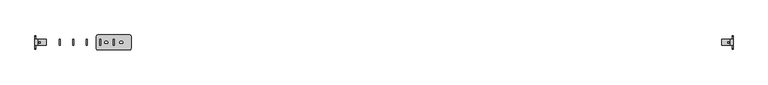
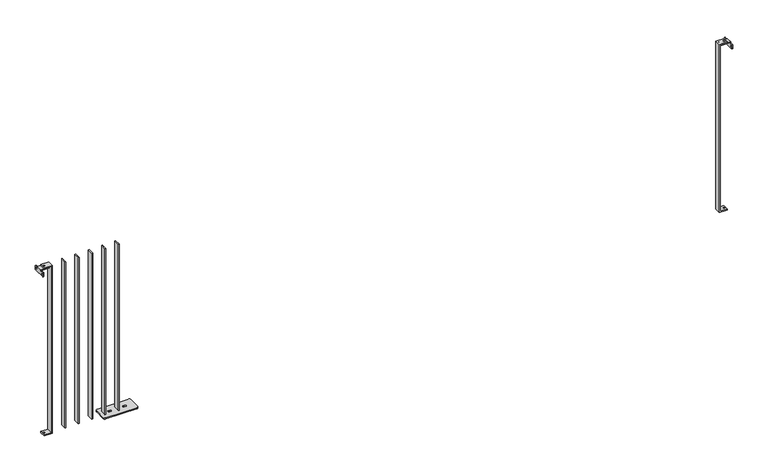
"""IFC4 building model written with IfcOpenShell, lengths in millimetres: railing geometry."""

from ifc_helpers import new_model, si_unit, frame, origin, place, context, project, spatial, polyline, circle_curve, outline, extrude, source, transform, mapped, element, save
from ifc_brep_helpers import plane_surface, cylinder_surface, revolved_surface, advanced_brep


def railing_5987e916(model_context):
    return source(origin(), model_context, "Body", "SolidModel", [
        advanced_brep(
        [(8839.4391725, -978.0676747, 1192.0), (8839.4391725, -978.0676747, 8.0), (8845.4391725, -978.0676747, 8.0), (8845.4391725, -978.0676747, 1192.0), (8839.4391725, -938.0676747, 1192.0), (8845.4391725, -938.0676747, 1192.0), (8845.4391725, -938.0676747, 8.0), (8839.4391725, -938.0676747, 8.0), (8737.4391725, -908.0676747, 8.0), (8727.4391725, -918.0676747, 8.0), (8727.4391725, -998.0676747, 8.0), (8737.4391725, -1008.0676747, 8.0), (8947.4391725, -1008.0676747, 8.0), (8957.4391725, -998.0676747, 8.0), (8957.4391725, -918.0676747, 8.0), (8947.4391725, -908.0676747, 8.0), (8788.4391725, -951.0676747, 8.0), (8796.4391725, -951.0676747, 8.0), (8796.4391725, -965.0676747, 8.0), (8788.4391725, -965.0676747, 8.0), (8896.4391725, -951.0676747, 8.0), (8896.4391725, -965.0676747, 8.0), (8888.4391725, -965.0676747, 8.0), (8888.4391725, -951.0676747, 8.0), (8737.4391725, -908.0676747, 0.0), (8947.4391725, -908.0676747, 0.0), (8957.4391725, -918.0676747, 0.0), (8957.4391725, -998.0676747, 0.0), (8947.4391725, -1008.0676747, 0.0), (8737.4391725, -1008.0676747, 0.0), (8727.4391725, -998.0676747, 0.0), (8727.4391725, -918.0676747, 0.0), (8788.4391725, -951.0676747, 0.0), (8788.4391725, -965.0676747, 0.0), (8796.4391725, -965.0676747, 0.0), (8796.4391725, -951.0676747, 0.0), (8896.4391725, -951.0676747, 0.0), (8888.4391725, -951.0676747, 0.0), (8888.4391725, -965.0676747, 0.0), (8896.4391725, -965.0676747, 0.0)],
        [
            (0, 1),
            (1, 2),
            (2, 3),
            (3, 0),
            (4, 5),
            (5, 6),
            (6, 7),
            (7, 4),
            (3, 5),
            (4, 0),
            (7, 1),
            (2, 6),
            (8, 9, circle_curve(frame((8737.4391725, -918.0676747, 8.0), z_axis=(0.0, 0.0, 1.0), x_axis=(0.0, 1.0, 0.0)), 10.0)),
            (9, 10),
            (10, 11, circle_curve(frame((8737.4391725, -998.0676747, 8.0), z_axis=(0.0, 0.0, 1.0), x_axis=(0.0, 1.0, 0.0)), 10.0)),
            (11, 12),
            (12, 13, circle_curve(frame((8947.4391725, -998.0676747, 8.0), z_axis=(0.0, 0.0, 1.0), x_axis=(0.0, 1.0, 0.0)), 10.0)),
            (13, 14),
            (14, 15, circle_curve(frame((8947.4391725, -918.0676747, 8.0), z_axis=(0.0, 0.0, 1.0), x_axis=(0.0, 1.0, 0.0)), 10.0)),
            (15, 8),
            (16, 17),
            (17, 18, circle_curve(frame((8796.4391725, -958.0676747, 8.0), z_axis=(0.0, 0.0, -1.0), x_axis=(0.0, 1.0, 0.0)), 7.0)),
            (18, 19),
            (19, 16, circle_curve(frame((8788.4391725, -958.0676747, 8.0), z_axis=(0.0, 0.0, -1.0), x_axis=(0.0, 1.0, 0.0)), 7.0)),
            (20, 21, circle_curve(frame((8896.4391725, -958.0676747, 8.0), z_axis=(0.0, 0.0, -1.0), x_axis=(0.0, 1.0, 0.0)), 7.0)),
            (21, 22),
            (22, 23, circle_curve(frame((8888.4391725, -958.0676747, 8.0), z_axis=(0.0, 0.0, -1.0), x_axis=(0.0, 1.0, 0.0)), 7.0)),
            (23, 20),
            (24, 25),
            (25, 26, circle_curve(frame((8947.4391725, -918.0676747, 0.0), z_axis=(0.0, 0.0, -1.0), x_axis=(0.0, 1.0, 0.0)), 10.0)),
            (26, 27),
            (27, 28, circle_curve(frame((8947.4391725, -998.0676747, 0.0), z_axis=(0.0, 0.0, -1.0), x_axis=(0.0, 1.0, 0.0)), 10.0)),
            (28, 29),
            (29, 30, circle_curve(frame((8737.4391725, -998.0676747, 0.0), z_axis=(0.0, 0.0, -1.0), x_axis=(0.0, 1.0, 0.0)), 10.0)),
            (30, 31),
            (31, 24, circle_curve(frame((8737.4391725, -918.0676747, 0.0), z_axis=(0.0, 0.0, -1.0), x_axis=(0.0, 1.0, 0.0)), 10.0)),
            (32, 33, circle_curve(frame((8788.4391725, -958.0676747, 0.0), z_axis=(0.0, 0.0, 1.0), x_axis=(0.0, 1.0, 0.0)), 7.0)),
            (33, 34),
            (34, 35, circle_curve(frame((8796.4391725, -958.0676747, 0.0), z_axis=(0.0, 0.0, 1.0), x_axis=(0.0, 1.0, 0.0)), 7.0)),
            (35, 32),
            (36, 37),
            (37, 38, circle_curve(frame((8888.4391725, -958.0676747, 0.0), z_axis=(0.0, 0.0, 1.0), x_axis=(0.0, 1.0, 0.0)), 7.0)),
            (38, 39),
            (39, 36, circle_curve(frame((8896.4391725, -958.0676747, 0.0), z_axis=(0.0, 0.0, 1.0), x_axis=(0.0, 1.0, 0.0)), 7.0)),
            (8, 24),
            (31, 9),
            (30, 10),
            (29, 11),
            (28, 12),
            (27, 13),
            (26, 14),
            (25, 15),
            (16, 32),
            (35, 17),
            (34, 18),
            (33, 19),
            (20, 36),
            (39, 21),
            (38, 22),
            (37, 23),
        ],
        [
            plane_surface(frame((8839.4391725, -978.0676747, 1192.0), z_axis=(0.0, -1.0, 0.0), x_axis=(-1.0, 0.0, 0.0))),
            plane_surface(frame((8839.4391725, -938.0676747, 1192.0), z_axis=(0.0, 1.0, 0.0), x_axis=(1.0, 0.0, 0.0))),
            plane_surface(frame((8839.4391725, -938.0676747, 1192.0), z_axis=(0.0, 0.0, 1.0), x_axis=(0.0, -1.0, 0.0))),
            plane_surface(frame((8839.4391725, -938.0676747, 8.0), z_axis=(-1.0, 0.0, 0.0), x_axis=(0.0, -1.0, 0.0))),
            plane_surface(frame((8845.4391725, -938.0676747, 1192.0), z_axis=(1.0, 0.0, 0.0), x_axis=(0.0, -1.0, 0.0))),
            plane_surface(frame((8737.4391725, -908.0676747, 8.0), z_axis=(0.0, 0.0, 1.0), x_axis=(-1.0, 0.0, 0.0))),
            plane_surface(frame((8737.4391725, -908.0676747, 0.0), z_axis=(0.0, 0.0, -1.0), x_axis=(1.0, 0.0, 0.0))),
            cylinder_surface(frame((8737.4391725, -918.0676747, 0.0), z_axis=(0.0, 0.0, 1.0), x_axis=(0.0, 1.0, 0.0)), 10.0),
            plane_surface(frame((8727.4391725, -918.0676747, 8.0), z_axis=(-1.0, 0.0, 0.0), x_axis=(0.0, 0.0, -1.0))),
            cylinder_surface(frame((8737.4391725, -998.0676747, 0.0), z_axis=(0.0, 0.0, 1.0), x_axis=(0.0, 1.0, 0.0)), 10.0),
            plane_surface(frame((8737.4391725, -1008.0676747, 8.0), z_axis=(0.0, -1.0, 0.0), x_axis=(0.0, 0.0, -1.0))),
            cylinder_surface(frame((8947.4391725, -998.0676747, 0.0), z_axis=(0.0, 0.0, 1.0), x_axis=(0.0, 1.0, 0.0)), 10.0),
            plane_surface(frame((8957.4391725, -998.0676747, 8.0), z_axis=(1.0, 0.0, 0.0), x_axis=(0.0, 0.0, -1.0))),
            cylinder_surface(frame((8947.4391725, -918.0676747, 0.0), z_axis=(0.0, 0.0, 1.0), x_axis=(0.0, 1.0, 0.0)), 10.0),
            plane_surface(frame((8947.4391725, -908.0676747, 8.0), z_axis=(0.0, 1.0, 0.0), x_axis=(0.0, 0.0, -1.0))),
            plane_surface(frame((8788.4391725, -951.0676747, 8.0), z_axis=(0.0, -1.0, 0.0), x_axis=(0.0, 0.0, -1.0))),
            revolved_surface(polyline([(8796.4391725, -951.0676747, 0.0), (8796.4391725, -951.0676747, 8.0)]), (8796.4391725, -958.0676747, 8.0), (0.0, 0.0, -1.0)),
            plane_surface(frame((8796.4391725, -965.0676747, 8.0), z_axis=(0.0, 1.0, 0.0), x_axis=(0.0, 0.0, -1.0))),
            revolved_surface(polyline([(8788.4391725, -951.0676747, 0.0), (8788.4391725, -951.0676747, 8.0)]), (8788.4391725, -958.0676747, 8.0), (0.0, 0.0, -1.0)),
            revolved_surface(polyline([(8896.4391725, -951.0676747, 0.0), (8896.4391725, -951.0676747, 8.0)]), (8896.4391725, -958.0676747, 8.0), (0.0, 0.0, -1.0)),
            plane_surface(frame((8896.4391725, -965.0676747, 8.0), z_axis=(0.0, 1.0, 0.0), x_axis=(0.0, 0.0, -1.0))),
            revolved_surface(polyline([(8888.4391725, -951.0676747, 0.0), (8888.4391725, -951.0676747, 8.0)]), (8888.4391725, -958.0676747, 8.0), (0.0, 0.0, -1.0)),
            plane_surface(frame((8888.4391725, -951.0676747, 8.0), z_axis=(0.0, -1.0, 0.0), x_axis=(0.0, 0.0, -1.0))),
        ],
        [
            (0, [[1, 2, 3, 4]]),
            (1, [[5, 6, 7, 8]]),
            (2, [[-4, 9, -5, 10]]),
            (3, [[-1, -10, -8, 11]]),
            (4, [[-3, 12, -6, -9]]),
            (5, [[13, 14, 15, 16, 17, 18, 19, 20], [-2, -11, -7, -12], [21, 22, 23, 24], [25, 26, 27, 28]]),
            (6, [[29, 30, 31, 32, 33, 34, 35, 36], [37, 38, 39, 40], [41, 42, 43, 44]]),
            (7, [[-13, 45, -36, 46]]),
            (8, [[-14, -46, -35, 47]]),
            (9, [[-15, -47, -34, 48]]),
            (10, [[-16, -48, -33, 49]]),
            (11, [[-17, -49, -32, 50]]),
            (12, [[-18, -50, -31, 51]]),
            (13, [[-19, -51, -30, 52]]),
            (14, [[-20, -52, -29, -45]]),
            (15, [[-21, 53, -40, 54]]),
            (16, [[-22, -54, -39, 55]]),
            (17, [[-23, -55, -38, 56]]),
            (18, [[-24, -56, -37, -53]]),
            (19, [[-25, 57, -44, 58]]),
            (20, [[-26, -58, -43, 59]]),
            (21, [[-27, -59, -42, 60]]),
            (22, [[-28, -60, -41, -57]]),
        ],
    ),
        extrude(outline(polyline([(8749.4391725, -938.0676747), (8755.4391725, -938.0676747), (8755.4391725, -978.0676747), (8749.4391725, -978.0676747), (8749.4391725, -938.0676747)])), frame((0.0, 0.0, 8.0), z_axis=(0.0, 0.0, 1.0), x_axis=(1.0, 0.0, 0.0)), (0.0, 0.0, 1.0), 1184.0),
        extrude(outline(polyline([(8659.4391725, -938.0676747), (8665.4391725, -938.0676747), (8665.4391725, -978.0676747), (8659.4391725, -978.0676747), (8659.4391725, -938.0676747)])), frame((0.0, 0.0, 8.0), z_axis=(0.0, 0.0, 1.0), x_axis=(1.0, 0.0, 0.0)), (0.0, 0.0, 1.0), 1184.0),
        extrude(outline(polyline([(8569.4391725, -938.0676747), (8575.4391725, -938.0676747), (8575.4391725, -978.0676747), (8569.4391725, -978.0676747), (8569.4391725, -938.0676747)])), frame((0.0, 0.0, 8.0), z_axis=(0.0, 0.0, 1.0), x_axis=(1.0, 0.0, 0.0)), (0.0, 0.0, 1.0), 1184.0),
        extrude(outline(polyline([(8479.4391725, -938.0676747), (8485.4391725, -938.0676747), (8485.4391725, -978.0676747), (8479.4391725, -978.0676747), (8479.4391725, -938.0676747)])), frame((0.0, 0.0, 8.0), z_axis=(0.0, 0.0, 1.0), x_axis=(1.0, 0.0, 0.0)), (0.0, 0.0, 1.0), 1184.0),
        advanced_brep(
        [(12967.4391725, -978.0676747, 1192.0), (12967.4391725, -938.0676747, 1192.0), (12912.4391725, -938.0676747, 1192.0), (12907.4391725, -943.0676747, 1192.0), (12907.4391725, -973.0676747, 1192.0), (12912.4391725, -978.0676747, 1192.0), (12939.4391725, -962.5676747, 1192.0), (12919.4391725, -962.5676747, 1192.0), (12919.4391725, -953.5676747, 1192.0), (12939.4391725, -953.5676747, 1192.0), (12912.4391725, -978.0676747, 1187.0), (12907.4391725, -973.0676747, 1187.0), (12907.4391725, -943.0676747, 1187.0), (12912.4391725, -938.0676747, 1187.0), (12962.4391725, -938.0676747, 1187.0), (12962.4391725, -978.0676747, 1187.0), (12939.4391725, -962.5676747, 1187.0), (12939.4391725, -953.5676747, 1187.0), (12919.4391725, -953.5676747, 1187.0), (12919.4391725, -962.5676747, 1187.0), (12967.4391725, -978.0676747, 1187.0), (12967.4391725, -938.0676747, 1187.0), (12967.4391725, -998.0676747, 1187.0), (12967.4391725, -1003.0676747, 1182.0), (12967.4391725, -1003.0676747, 1162.0), (12967.4391725, -998.0676747, 1157.0), (12967.4391725, -918.0676747, 1157.0), (12967.4391725, -913.0676747, 1162.0), (12967.4391725, -913.0676747, 1182.0), (12967.4391725, -918.0676747, 1187.0), (12967.4391725, -927.0676747, 1172.0), (12967.4391725, -918.0676747, 1172.0), (12967.4391725, -998.0676747, 1172.0), (12967.4391725, -989.0676747, 1172.0), (12962.4391725, -1003.0676747, 1162.0), (12962.4391725, -1003.0676747, 1182.0), (12962.4391725, -998.0676747, 1187.0), (12962.4391725, -918.0676747, 1187.0), (12962.4391725, -913.0676747, 1182.0), (12962.4391725, -913.0676747, 1162.0), (12962.4391725, -918.0676747, 1157.0), (12962.4391725, -998.0676747, 1157.0), (12962.4391725, -927.0676747, 1172.0), (12962.4391725, -918.0676747, 1172.0), (12962.4391725, -998.0676747, 1172.0), (12962.4391725, -989.0676747, 1172.0)],
        [
            (0, 1),
            (1, 2),
            (2, 3, circle_curve(frame((12912.4391725, -943.0676747, 1192.0), z_axis=(0.0, 0.0, 1.0), x_axis=(0.0, 1.0, 0.0)), 5.0)),
            (3, 4),
            (4, 5, circle_curve(frame((12912.4391725, -973.0676747, 1192.0), z_axis=(0.0, 0.0, 1.0), x_axis=(0.0, 1.0, 0.0)), 5.0)),
            (5, 0),
            (6, 7),
            (7, 8, circle_curve(frame((12919.4391725, -958.0676747, 1192.0), z_axis=(0.0, 0.0, -1.0), x_axis=(0.0, 1.0, 0.0)), 4.5)),
            (8, 9),
            (9, 6, circle_curve(frame((12939.4391725, -958.0676747, 1192.0), z_axis=(0.0, 0.0, -1.0), x_axis=(0.0, 1.0, 0.0)), 4.5)),
            (10, 11, circle_curve(frame((12912.4391725, -973.0676747, 1187.0), z_axis=(0.0, 0.0, -1.0), x_axis=(0.0, 1.0, 0.0)), 5.0)),
            (11, 12),
            (12, 13, circle_curve(frame((12912.4391725, -943.0676747, 1187.0), z_axis=(0.0, 0.0, -1.0), x_axis=(0.0, 1.0, 0.0)), 5.0)),
            (13, 14),
            (14, 15),
            (15, 10),
            (16, 17, circle_curve(frame((12939.4391725, -958.0676747, 1187.0), z_axis=(0.0, 0.0, 1.0), x_axis=(0.0, 1.0, 0.0)), 4.5)),
            (17, 18),
            (18, 19, circle_curve(frame((12919.4391725, -958.0676747, 1187.0), z_axis=(0.0, 0.0, 1.0), x_axis=(0.0, 1.0, 0.0)), 4.5)),
            (19, 16),
            (5, 10),
            (15, 20),
            (20, 0),
            (3, 12),
            (11, 4),
            (1, 21),
            (21, 14),
            (13, 2),
            (20, 22),
            (22, 23, circle_curve(frame((12967.4391725, -998.0676747, 1182.0), z_axis=(1.0, 0.0, 0.0), x_axis=(0.0, 1.0, 0.0)), 5.0)),
            (23, 24),
            (24, 25, circle_curve(frame((12967.4391725, -998.0676747, 1162.0), z_axis=(1.0, 0.0, 0.0), x_axis=(0.0, 1.0, 0.0)), 5.0)),
            (25, 26),
            (26, 27, circle_curve(frame((12967.4391725, -918.0676747, 1162.0), z_axis=(1.0, 0.0, 0.0), x_axis=(0.0, 1.0, 0.0)), 5.0)),
            (27, 28),
            (28, 29, circle_curve(frame((12967.4391725, -918.0676747, 1182.0), z_axis=(1.0, 0.0, 0.0), x_axis=(0.0, 1.0, 0.0)), 5.0)),
            (29, 21),
            (30, 31, circle_curve(frame((12967.4391725, -922.5676747, 1172.0), z_axis=(-1.0, 0.0, 0.0), x_axis=(0.0, 1.0, 0.0)), 4.5)),
            (31, 30, circle_curve(frame((12967.4391725, -922.5676747, 1172.0), z_axis=(-1.0, 0.0, 0.0), x_axis=(0.0, 1.0, 0.0)), 4.5)),
            (32, 33, circle_curve(frame((12967.4391725, -993.5676747, 1172.0), z_axis=(-1.0, 0.0, 0.0), x_axis=(0.0, 1.0, 0.0)), 4.5)),
            (33, 32, circle_curve(frame((12967.4391725, -993.5676747, 1172.0), z_axis=(-1.0, 0.0, 0.0), x_axis=(0.0, 1.0, 0.0)), 4.5)),
            (9, 17),
            (16, 6),
            (8, 18),
            (7, 19),
            (34, 35),
            (35, 36, circle_curve(frame((12962.4391725, -998.0676747, 1182.0), z_axis=(-1.0, 0.0, 0.0), x_axis=(0.0, 1.0, 0.0)), 5.0)),
            (36, 15),
            (14, 37),
            (37, 38, circle_curve(frame((12962.4391725, -918.0676747, 1182.0), z_axis=(-1.0, 0.0, 0.0), x_axis=(0.0, 1.0, 0.0)), 5.0)),
            (38, 39),
            (39, 40, circle_curve(frame((12962.4391725, -918.0676747, 1162.0), z_axis=(-1.0, 0.0, 0.0), x_axis=(0.0, 1.0, 0.0)), 5.0)),
            (40, 41),
            (41, 34, circle_curve(frame((12962.4391725, -998.0676747, 1162.0), z_axis=(-1.0, 0.0, 0.0), x_axis=(0.0, 1.0, 0.0)), 5.0)),
            (42, 43, circle_curve(frame((12962.4391725, -922.5676747, 1172.0), z_axis=(1.0, 0.0, 0.0), x_axis=(0.0, 1.0, 0.0)), 4.5)),
            (43, 42, circle_curve(frame((12962.4391725, -922.5676747, 1172.0), z_axis=(1.0, 0.0, 0.0), x_axis=(0.0, 1.0, 0.0)), 4.5)),
            (44, 45, circle_curve(frame((12962.4391725, -993.5676747, 1172.0), z_axis=(1.0, 0.0, 0.0), x_axis=(0.0, 1.0, 0.0)), 4.5)),
            (45, 44, circle_curve(frame((12962.4391725, -993.5676747, 1172.0), z_axis=(1.0, 0.0, 0.0), x_axis=(0.0, 1.0, 0.0)), 4.5)),
            (41, 25),
            (24, 34),
            (40, 26),
            (39, 27),
            (38, 28),
            (37, 29),
            (36, 22),
            (35, 23),
            (43, 31),
            (30, 42),
            (45, 33),
            (32, 44),
        ],
        [
            plane_surface(frame((12967.4391725, -938.0676747, 1192.0), z_axis=(0.0, 0.0, 1.0), x_axis=(0.0, 1.0, 0.0))),
            plane_surface(frame((12967.4391725, -938.0676747, 1187.0), z_axis=(0.0, 0.0, -1.0), x_axis=(0.0, -1.0, 0.0))),
            plane_surface(frame((12912.4391725, -978.0676747, 1192.0), z_axis=(0.0, -1.0, 0.0), x_axis=(0.0, 0.0, -1.0))),
            plane_surface(frame((12907.4391725, -943.0676747, 1192.0), z_axis=(-1.0, 0.0, 0.0), x_axis=(0.0, 0.0, -1.0))),
            plane_surface(frame((12967.4391725, -938.0676747, 1192.0), z_axis=(0.0, 1.0, 0.0), x_axis=(0.0, 0.0, -1.0))),
            plane_surface(frame((12967.4391725, -978.0676747, 1192.0), z_axis=(1.0, 0.0, 0.0), x_axis=(0.0, 0.0, -1.0))),
            revolved_surface(polyline([(12939.4391725, -953.5676747, 1187.0), (12939.4391725, -953.5676747, 1192.0)]), (12939.4391725, -958.0676747, 8.0), (0.0, 0.0, -1.0)),
            plane_surface(frame((12919.4391725, -953.5676747, 1192.0), z_axis=(0.0, -1.0, 0.0), x_axis=(0.0, 0.0, -1.0))),
            revolved_surface(polyline([(12919.4391725, -953.5676747, 1187.0), (12919.4391725, -953.5676747, 1192.0)]), (12919.4391725, -958.0676747, 8.0), (0.0, 0.0, -1.0)),
            plane_surface(frame((12939.4391725, -962.5676747, 1192.0), z_axis=(0.0, 1.0, 0.0), x_axis=(0.0, 0.0, -1.0))),
            cylinder_surface(frame((12912.4391725, -973.0676747, 1187.0), z_axis=(0.0, 0.0, 1.0), x_axis=(0.0, 1.0, 0.0)), 5.0),
            cylinder_surface(frame((12912.4391725, -943.0676747, 1187.0), z_axis=(0.0, 0.0, 1.0), x_axis=(0.0, 1.0, 0.0)), 5.0),
            plane_surface(frame((12962.4391725, -1003.0676747, 1182.0), z_axis=(-1.0, 0.0, 0.0), x_axis=(0.0, 0.0, 1.0))),
            cylinder_surface(frame((12967.4391725, -998.0676747, 1162.0), z_axis=(-1.0, 0.0, 0.0), x_axis=(0.0, 1.0, 0.0)), 5.0),
            plane_surface(frame((12962.4391725, -918.0676747, 1157.0), z_axis=(0.0, 0.0, -1.0), x_axis=(1.0, 0.0, 0.0))),
            cylinder_surface(frame((12967.4391725, -918.0676747, 1162.0), z_axis=(-1.0, 0.0, 0.0), x_axis=(0.0, 1.0, 0.0)), 5.0),
            plane_surface(frame((12962.4391725, -913.0676747, 1182.0), z_axis=(0.0, 1.0, -1.4535799231360046e-11), x_axis=(1.0, 0.0, 0.0))),
            cylinder_surface(frame((12967.4391725, -918.0676747, 1182.0), z_axis=(-1.0, 0.0, 0.0), x_axis=(0.0, 1.0, 0.0)), 5.0),
            plane_surface(frame((12962.4391725, -998.0676747, 1187.0), z_axis=(0.0, 3.6343728027077567e-12, 1.0), x_axis=(1.0, 0.0, 0.0))),
            cylinder_surface(frame((12967.4391725, -998.0676747, 1182.0), z_axis=(-1.0, 0.0, 0.0), x_axis=(0.0, 1.0, 0.0)), 5.0),
            plane_surface(frame((12962.4391725, -1003.0676747, 1162.0), z_axis=(0.0, -1.0, 0.0), x_axis=(1.0, 0.0, 0.0))),
            revolved_surface(polyline([(12967.4391725, -918.0676747, 1172.0), (12962.4391725, -918.0676747, 1172.0)]), (12892.4391725, -922.5676747, 1172.0), (1.0, 0.0, 0.0)),
            revolved_surface(polyline([(12967.4391725, -989.0676747, 1172.0), (12962.4391725, -989.0676747, 1172.0)]), (12892.4391725, -993.5676747, 1172.0), (1.0, 0.0, 0.0)),
        ],
        [
            (0, [[1, 2, 3, 4, 5, 6], [7, 8, 9, 10]]),
            (1, [[11, 12, 13, 14, 15, 16], [17, 18, 19, 20]]),
            (2, [[-6, 21, -16, 22, 23]]),
            (3, [[-4, 24, -12, 25]]),
            (4, [[-2, 26, 27, -14, 28]]),
            (5, [[-1, -23, 29, 30, 31, 32, 33, 34, 35, 36, 37, -26], [38, 39], [40, 41]]),
            (6, [[-10, 42, -17, 43]]),
            (7, [[-9, 44, -18, -42]]),
            (8, [[-8, 45, -19, -44]]),
            (9, [[-7, -43, -20, -45]]),
            (10, [[-5, -25, -11, -21]]),
            (11, [[-3, -28, -13, -24]]),
            (12, [[46, 47, 48, -15, 49, 50, 51, 52, 53, 54], [55, 56], [57, 58]]),
            (13, [[-54, 59, -32, 60]]),
            (14, [[-53, 61, -33, -59]]),
            (15, [[-52, 62, -34, -61]]),
            (16, [[-51, 63, -35, -62]]),
            (17, [[-50, 64, -36, -63]]),
            (18, [[-64, -49, -27, -37]]),
            (18, [[65, -29, -22, -48]]),
            (19, [[-47, 66, -30, -65]]),
            (20, [[-46, -60, -31, -66]]),
            (21, [[-56, 67, -38, 68]]),
            (21, [[-55, -68, -39, -67]]),
            (22, [[-58, 69, -40, 70]]),
            (22, [[-57, -70, -41, -69]]),
        ],
    ),
        advanced_brep(
        [(12892.4391725, -978.0676747, 1200.0), (12892.4391725, -978.0676747, 0.0), (12945.4391725, -978.0676747, 0.0), (12945.4391725, -978.0676747, 8.0), (12898.4391725, -978.0676747, 8.0), (12898.4391725, -978.0676747, 1192.0), (12945.4391725, -978.0676747, 1192.0), (12945.4391725, -978.0676747, 1200.0), (12892.4391725, -938.0676747, 1200.0), (12945.4391725, -938.0676747, 1200.0), (12945.4391725, -938.0676747, 1192.0), (12898.4391725, -938.0676747, 1192.0), (12898.4391725, -938.0676747, 8.0), (12945.4391725, -938.0676747, 8.0), (12945.4391725, -938.0676747, 0.0), (12892.4391725, -938.0676747, 0.0), (12939.9391725, -958.0676747, 0.0), (12930.9391725, -958.0676747, 0.0), (12930.9391725, -958.0676747, 8.0), (12939.9391725, -958.0676747, 8.0), (12939.9391725, -958.0676747, 1192.0), (12930.9391725, -958.0676747, 1192.0), (12930.9391725, -958.0676747, 1200.0), (12939.9391725, -958.0676747, 1200.0)],
        [
            (0, 1),
            (1, 2),
            (2, 3),
            (3, 4),
            (4, 5),
            (5, 6),
            (6, 7),
            (7, 0),
            (8, 9),
            (9, 10),
            (10, 11),
            (11, 12),
            (12, 13),
            (13, 14),
            (14, 15),
            (15, 8),
            (0, 8),
            (15, 1),
            (14, 2),
            (16, 17, circle_curve(frame((12935.4391725, -958.0676747, 0.0), z_axis=(0.0, 0.0, 1.0), x_axis=(1.0, 0.0, 0.0)), 4.5)),
            (17, 16, circle_curve(frame((12935.4391725, -958.0676747, 0.0), z_axis=(0.0, 0.0, 1.0), x_axis=(1.0, 0.0, 0.0)), 4.5)),
            (13, 3),
            (12, 4),
            (18, 19, circle_curve(frame((12935.4391725, -958.0676747, 8.0), z_axis=(0.0, 0.0, -1.0), x_axis=(1.0, 0.0, 0.0)), 4.5)),
            (19, 18, circle_curve(frame((12935.4391725, -958.0676747, 8.0), z_axis=(0.0, 0.0, -1.0), x_axis=(1.0, 0.0, 0.0)), 4.5)),
            (11, 5),
            (10, 6),
            (20, 21, circle_curve(frame((12935.4391725, -958.0676747, 1192.0), z_axis=(0.0, 0.0, 1.0), x_axis=(1.0, 0.0, 0.0)), 4.5)),
            (21, 20, circle_curve(frame((12935.4391725, -958.0676747, 1192.0), z_axis=(0.0, 0.0, 1.0), x_axis=(1.0, 0.0, 0.0)), 4.5)),
            (9, 7),
            (22, 23, circle_curve(frame((12935.4391725, -958.0676747, 1200.0), z_axis=(0.0, 0.0, -1.0), x_axis=(1.0, 0.0, 0.0)), 4.5)),
            (23, 22, circle_curve(frame((12935.4391725, -958.0676747, 1200.0), z_axis=(0.0, 0.0, -1.0), x_axis=(1.0, 0.0, 0.0)), 4.5)),
            (16, 19),
            (18, 17),
            (20, 23),
            (22, 21),
        ],
        [
            plane_surface(frame((12892.4391725, -978.0676747, 1200.0), z_axis=(0.0, -1.0, 0.0), x_axis=(-1.0, 0.0, 0.0))),
            plane_surface(frame((12892.4391725, -938.0676747, 1200.0), z_axis=(0.0, 1.0, 0.0), x_axis=(1.0, 0.0, 0.0))),
            plane_surface(frame((12892.4391725, -938.0676747, 0.0), z_axis=(-1.0, 0.0, 0.0), x_axis=(0.0, -1.0, 0.0))),
            plane_surface(frame((12945.4391725, -938.0676747, 0.0), z_axis=(0.0, 0.0, -1.0), x_axis=(0.0, -1.0, 0.0))),
            plane_surface(frame((12945.4391725, -938.0676747, 8.0), z_axis=(1.0, 0.0, 1.737451849059295e-12), x_axis=(0.0, -1.0, 0.0))),
            plane_surface(frame((12898.4391725, -938.0676747, 8.0), z_axis=(0.0, 0.0, 1.0), x_axis=(0.0, -1.0, 0.0))),
            plane_surface(frame((12898.4391725, -938.0676747, 1192.0), z_axis=(1.0, 0.0, 0.0), x_axis=(0.0, -1.0, 0.0))),
            plane_surface(frame((12945.4391725, -938.0676747, 1192.0), z_axis=(0.0, 0.0, -1.0), x_axis=(0.0, -1.0, 0.0))),
            plane_surface(frame((12945.4391725, -938.0676747, 1200.0), z_axis=(1.0, 0.0, 0.0), x_axis=(0.0, -1.0, 0.0))),
            plane_surface(frame((12892.4391725, -938.0676747, 1200.0), z_axis=(0.0, 0.0, 1.0), x_axis=(0.0, -1.0, 0.0))),
            revolved_surface(polyline([(12939.9391725, -958.0676747, 8.0), (12939.9391725, -958.0676747, 0.0)]), (12935.4391725, -958.0676747, -800.0), (0.0, 0.0, 1.0)),
            revolved_surface(polyline([(12939.9391725, -958.0676747, 1200.0), (12939.9391725, -958.0676747, 1192.0)]), (12935.4391725, -958.0676747, -800.0), (0.0, 0.0, 1.0)),
        ],
        [
            (0, [[1, 2, 3, 4, 5, 6, 7, 8]]),
            (1, [[9, 10, 11, 12, 13, 14, 15, 16]]),
            (2, [[-1, 17, -16, 18]]),
            (3, [[-2, -18, -15, 19], [20, 21]]),
            (4, [[-3, -19, -14, 22]]),
            (5, [[-4, -22, -13, 23], [24, 25]]),
            (6, [[-5, -23, -12, 26]]),
            (7, [[-6, -26, -11, 27], [28, 29]]),
            (8, [[-7, -27, -10, 30]]),
            (9, [[-8, -30, -9, -17], [31, 32]]),
            (10, [[33, -24, 34, -20]]),
            (11, [[35, -31, 36, -28]]),
            (10, [[-33, -21, -34, -25]]),
            (11, [[-35, -29, -36, -32]]),
        ],
    ),
        advanced_brep(
        [(8317.4391725, -978.0676747, 1192.0), (8372.4391725, -978.0676747, 1192.0), (8377.4391725, -973.0676747, 1192.0), (8377.4391725, -943.0676747, 1192.0), (8372.4391725, -938.0676747, 1192.0), (8317.4391725, -938.0676747, 1192.0), (8345.4391725, -962.5676747, 1192.0), (8345.4391725, -953.5676747, 1192.0), (8365.4391725, -953.5676747, 1192.0), (8365.4391725, -962.5676747, 1192.0), (8372.4391725, -938.0676747, 1187.0), (8377.4391725, -943.0676747, 1187.0), (8377.4391725, -973.0676747, 1187.0), (8372.4391725, -978.0676747, 1187.0), (8322.4391725, -978.0676747, 1187.0), (8322.4391725, -938.0676747, 1187.0), (8345.4391725, -962.5676747, 1187.0), (8365.4391725, -962.5676747, 1187.0), (8365.4391725, -953.5676747, 1187.0), (8345.4391725, -953.5676747, 1187.0), (8317.4391725, -978.0676747, 1187.0), (8317.4391725, -938.0676747, 1187.0), (8317.4391725, -918.0676747, 1187.0), (8317.4391725, -913.0676747, 1182.0), (8317.4391725, -913.0676747, 1162.0), (8317.4391725, -918.0676747, 1157.0), (8317.4391725, -998.0676747, 1157.0), (8317.4391725, -1003.0676747, 1162.0), (8317.4391725, -1003.0676747, 1182.0), (8317.4391725, -998.0676747, 1187.0), (8317.4391725, -927.0676747, 1172.0), (8317.4391725, -918.0676747, 1172.0), (8317.4391725, -998.0676747, 1172.0), (8317.4391725, -989.0676747, 1172.0), (8322.4391725, -1003.0676747, 1162.0), (8322.4391725, -998.0676747, 1157.0), (8322.4391725, -918.0676747, 1157.0), (8322.4391725, -913.0676747, 1162.0), (8322.4391725, -913.0676747, 1182.0), (8322.4391725, -918.0676747, 1187.0), (8322.4391725, -998.0676747, 1187.0), (8322.4391725, -1003.0676747, 1182.0), (8322.4391725, -927.0676747, 1172.0), (8322.4391725, -918.0676747, 1172.0), (8322.4391725, -998.0676747, 1172.0), (8322.4391725, -989.0676747, 1172.0)],
        [
            (0, 1),
            (1, 2, circle_curve(frame((8372.4391725, -973.0676747, 1192.0), z_axis=(0.0, 0.0, 1.0), x_axis=(0.0, 1.0, 0.0)), 5.0)),
            (2, 3),
            (3, 4, circle_curve(frame((8372.4391725, -943.0676747, 1192.0), z_axis=(0.0, 0.0, 1.0), x_axis=(0.0, 1.0, 0.0)), 5.0)),
            (4, 5),
            (5, 0),
            (6, 7, circle_curve(frame((8345.4391725, -958.0676747, 1192.0), z_axis=(0.0, 0.0, -1.0), x_axis=(0.0, 1.0, 0.0)), 4.5)),
            (7, 8),
            (8, 9, circle_curve(frame((8365.4391725, -958.0676747, 1192.0), z_axis=(0.0, 0.0, -1.0), x_axis=(0.0, 1.0, 0.0)), 4.5)),
            (9, 6),
            (10, 11, circle_curve(frame((8372.4391725, -943.0676747, 1187.0), z_axis=(0.0, 0.0, -1.0), x_axis=(0.0, 1.0, 0.0)), 5.0)),
            (11, 12),
            (12, 13, circle_curve(frame((8372.4391725, -973.0676747, 1187.0), z_axis=(0.0, 0.0, -1.0), x_axis=(0.0, 1.0, 0.0)), 5.0)),
            (13, 14),
            (14, 15),
            (15, 10),
            (16, 17),
            (17, 18, circle_curve(frame((8365.4391725, -958.0676747, 1187.0), z_axis=(0.0, 0.0, 1.0), x_axis=(0.0, 1.0, 0.0)), 4.5)),
            (18, 19),
            (19, 16, circle_curve(frame((8345.4391725, -958.0676747, 1187.0), z_axis=(0.0, 0.0, 1.0), x_axis=(0.0, 1.0, 0.0)), 4.5)),
            (0, 20),
            (20, 14),
            (13, 1),
            (2, 12),
            (11, 3),
            (4, 10),
            (15, 21),
            (21, 5),
            (21, 22),
            (22, 23, circle_curve(frame((8317.4391725, -918.0676747, 1182.0), z_axis=(-1.0, 0.0, 0.0), x_axis=(0.0, 1.0, 0.0)), 5.0)),
            (23, 24),
            (24, 25, circle_curve(frame((8317.4391725, -918.0676747, 1162.0), z_axis=(-1.0, 0.0, 0.0), x_axis=(0.0, 1.0, 0.0)), 5.0)),
            (25, 26),
            (26, 27, circle_curve(frame((8317.4391725, -998.0676747, 1162.0), z_axis=(-1.0, 0.0, 0.0), x_axis=(0.0, 1.0, 0.0)), 5.0)),
            (27, 28),
            (28, 29, circle_curve(frame((8317.4391725, -998.0676747, 1182.0), z_axis=(-1.0, 0.0, 0.0), x_axis=(0.0, 1.0, 0.0)), 5.0)),
            (29, 20),
            (30, 31, circle_curve(frame((8317.4391725, -922.5676747, 1172.0), z_axis=(1.0, 0.0, 0.0), x_axis=(0.0, 1.0, 0.0)), 4.5)),
            (31, 30, circle_curve(frame((8317.4391725, -922.5676747, 1172.0), z_axis=(1.0, 0.0, 0.0), x_axis=(0.0, 1.0, 0.0)), 4.5)),
            (32, 33, circle_curve(frame((8317.4391725, -993.5676747, 1172.0), z_axis=(1.0, 0.0, 0.0), x_axis=(0.0, 1.0, 0.0)), 4.5)),
            (33, 32, circle_curve(frame((8317.4391725, -993.5676747, 1172.0), z_axis=(1.0, 0.0, 0.0), x_axis=(0.0, 1.0, 0.0)), 4.5)),
            (6, 16),
            (19, 7),
            (18, 8),
            (17, 9),
            (34, 35, circle_curve(frame((8322.4391725, -998.0676747, 1162.0), z_axis=(1.0, 0.0, 0.0), x_axis=(0.0, 1.0, 0.0)), 5.0)),
            (35, 36),
            (36, 37, circle_curve(frame((8322.4391725, -918.0676747, 1162.0), z_axis=(1.0, 0.0, 0.0), x_axis=(0.0, 1.0, 0.0)), 5.0)),
            (37, 38),
            (38, 39, circle_curve(frame((8322.4391725, -918.0676747, 1182.0), z_axis=(1.0, 0.0, 0.0), x_axis=(0.0, 1.0, 0.0)), 5.0)),
            (39, 15),
            (14, 40),
            (40, 41, circle_curve(frame((8322.4391725, -998.0676747, 1182.0), z_axis=(1.0, 0.0, 0.0), x_axis=(0.0, 1.0, 0.0)), 5.0)),
            (41, 34),
            (42, 43, circle_curve(frame((8322.4391725, -922.5676747, 1172.0), z_axis=(-1.0, 0.0, 0.0), x_axis=(0.0, 1.0, 0.0)), 4.5)),
            (43, 42, circle_curve(frame((8322.4391725, -922.5676747, 1172.0), z_axis=(-1.0, 0.0, 0.0), x_axis=(0.0, 1.0, 0.0)), 4.5)),
            (44, 45, circle_curve(frame((8322.4391725, -993.5676747, 1172.0), z_axis=(-1.0, 0.0, 0.0), x_axis=(0.0, 1.0, 0.0)), 4.5)),
            (45, 44, circle_curve(frame((8322.4391725, -993.5676747, 1172.0), z_axis=(-1.0, 0.0, 0.0), x_axis=(0.0, 1.0, 0.0)), 4.5)),
            (34, 27),
            (26, 35),
            (25, 36),
            (24, 37),
            (23, 38),
            (22, 39),
            (29, 40),
            (28, 41),
            (42, 30),
            (31, 43),
            (44, 32),
            (33, 45),
        ],
        [
            plane_surface(frame((8317.4391725, -978.0676747, 1192.0), z_axis=(0.0, 0.0, 1.0), x_axis=(1.0, 0.0, 0.0))),
            plane_surface(frame((8317.4391725, -978.0676747, 1187.0), z_axis=(0.0, 0.0, -1.0), x_axis=(-1.0, 0.0, 0.0))),
            plane_surface(frame((8317.4391725, -978.0676747, 1192.0), z_axis=(0.0, -1.0, 0.0), x_axis=(0.0, 0.0, -1.0))),
            plane_surface(frame((8377.4391725, -973.0676747, 1192.0), z_axis=(1.0, 0.0, 0.0), x_axis=(0.0, 0.0, -1.0))),
            plane_surface(frame((8372.4391725, -938.0676747, 1192.0), z_axis=(0.0, 1.0, 0.0), x_axis=(0.0, 0.0, -1.0))),
            plane_surface(frame((8317.4391725, -938.0676747, 1192.0), z_axis=(-1.0, 0.0, 0.0), x_axis=(0.0, 0.0, -1.0))),
            revolved_surface(polyline([(8345.4391725, -953.5676747, 1187.0), (8345.4391725, -953.5676747, 1192.0)]), (8345.4391725, -958.0676747, 8.0), (0.0, 0.0, -1.0)),
            plane_surface(frame((8345.4391725, -953.5676747, 1192.0), z_axis=(0.0, -1.0, 0.0), x_axis=(0.0, 0.0, -1.0))),
            revolved_surface(polyline([(8365.4391725, -953.5676747, 1187.0), (8365.4391725, -953.5676747, 1192.0)]), (8365.4391725, -958.0676747, 8.0), (0.0, 0.0, -1.0)),
            plane_surface(frame((8365.4391725, -962.5676747, 1192.0), z_axis=(0.0, 1.0, 0.0), x_axis=(0.0, 0.0, -1.0))),
            cylinder_surface(frame((8372.4391725, -973.0676747, 1187.0), z_axis=(0.0, 0.0, 1.0), x_axis=(0.0, 1.0, 0.0)), 5.0),
            cylinder_surface(frame((8372.4391725, -943.0676747, 1187.0), z_axis=(0.0, 0.0, 1.0), x_axis=(0.0, 1.0, 0.0)), 5.0),
            plane_surface(frame((8322.4391725, -993.0676747, 1162.0), z_axis=(1.0, 0.0, 0.0), x_axis=(0.0, 0.0, 1.0))),
            cylinder_surface(frame((8317.4391725, -998.0676747, 1162.0), z_axis=(1.0, 0.0, 0.0), x_axis=(0.0, 1.0, 0.0)), 5.0),
            plane_surface(frame((8322.4391725, -998.0676747, 1157.0), z_axis=(0.0, 0.0, -1.0), x_axis=(-1.0, 0.0, 0.0))),
            cylinder_surface(frame((8317.4391725, -918.0676747, 1162.0), z_axis=(1.0, 0.0, 0.0), x_axis=(0.0, 1.0, 0.0)), 5.0),
            plane_surface(frame((8322.4391725, -913.0676747, 1162.0), z_axis=(0.0, 1.0, -1.4496883693901628e-11), x_axis=(-1.0, 0.0, 0.0))),
            cylinder_surface(frame((8317.4391725, -918.0676747, 1182.0), z_axis=(1.0, 0.0, 0.0), x_axis=(0.0, 1.0, 0.0)), 5.0),
            plane_surface(frame((8322.4391725, -918.0676747, 1187.0), z_axis=(0.0, 3.624220923357692e-12, 1.0), x_axis=(-1.0, 0.0, 0.0))),
            cylinder_surface(frame((8317.4391725, -998.0676747, 1182.0), z_axis=(1.0, 0.0, 0.0), x_axis=(0.0, 1.0, 0.0)), 5.0),
            plane_surface(frame((8322.4391725, -1003.0676747, 1182.0), z_axis=(0.0, -1.0, -1.4188520358413348e-11), x_axis=(-1.0, 0.0, 0.0))),
            revolved_surface(polyline([(8317.4391725, -918.0676747, 1172.0), (8322.4391725, -918.0676747, 1172.0)]), (8392.4391725, -922.5676747, 1172.0), (-1.0, 0.0, 0.0)),
            revolved_surface(polyline([(8317.4391725, -989.0676747, 1172.0), (8322.4391725, -989.0676747, 1172.0)]), (8392.4391725, -993.5676747, 1172.0), (-1.0, 0.0, 0.0)),
        ],
        [
            (0, [[1, 2, 3, 4, 5, 6], [7, 8, 9, 10]]),
            (1, [[11, 12, 13, 14, 15, 16], [17, 18, 19, 20]]),
            (2, [[-1, 21, 22, -14, 23]]),
            (3, [[-3, 24, -12, 25]]),
            (4, [[-5, 26, -16, 27, 28]]),
            (5, [[-6, -28, 29, 30, 31, 32, 33, 34, 35, 36, 37, -21], [38, 39], [40, 41]]),
            (6, [[-7, 42, -20, 43]]),
            (7, [[-8, -43, -19, 44]]),
            (8, [[-9, -44, -18, 45]]),
            (9, [[-10, -45, -17, -42]]),
            (10, [[-2, -23, -13, -24]]),
            (11, [[-4, -25, -11, -26]]),
            (12, [[46, 47, 48, 49, 50, 51, -15, 52, 53, 54], [55, 56], [57, 58]]),
            (13, [[-46, 59, -34, 60]]),
            (14, [[-47, -60, -33, 61]]),
            (15, [[-48, -61, -32, 62]]),
            (16, [[-49, -62, -31, 63]]),
            (17, [[-50, -63, -30, 64]]),
            (18, [[-64, -29, -27, -51]]),
            (18, [[65, -52, -22, -37]]),
            (19, [[-53, -65, -36, 66]]),
            (20, [[-54, -66, -35, -59]]),
            (21, [[-55, 67, -39, 68]]),
            (21, [[-56, -68, -38, -67]]),
            (22, [[-57, 69, -41, 70]]),
            (22, [[-58, -70, -40, -69]]),
        ],
    ),
        advanced_brep(
        [(8392.4391725, -978.0676747, 1200.0), (8339.4391725, -978.0676747, 1200.0), (8339.4391725, -978.0676747, 1192.0), (8386.4391725, -978.0676747, 1192.0), (8386.4391725, -978.0676747, 8.0), (8339.4391725, -978.0676747, 8.0), (8339.4391725, -978.0676747, 0.0), (8392.4391725, -978.0676747, 0.0), (8392.4391725, -938.0676747, 1200.0), (8392.4391725, -938.0676747, 0.0), (8339.4391725, -938.0676747, 0.0), (8339.4391725, -938.0676747, 8.0), (8386.4391725, -938.0676747, 8.0), (8386.4391725, -938.0676747, 1192.0), (8339.4391725, -938.0676747, 1192.0), (8339.4391725, -938.0676747, 1200.0), (8353.9391725, -958.0676747, 0.0), (8344.9391725, -958.0676747, 0.0), (8344.9391725, -958.0676747, 8.0), (8353.9391725, -958.0676747, 8.0), (8353.9391725, -958.0676747, 1192.0), (8344.9391725, -958.0676747, 1192.0), (8344.9391725, -958.0676747, 1200.0), (8353.9391725, -958.0676747, 1200.0)],
        [
            (0, 1),
            (1, 2),
            (2, 3),
            (3, 4),
            (4, 5),
            (5, 6),
            (6, 7),
            (7, 0),
            (8, 9),
            (9, 10),
            (10, 11),
            (11, 12),
            (12, 13),
            (13, 14),
            (14, 15),
            (15, 8),
            (7, 9),
            (8, 0),
            (6, 10),
            (16, 17, circle_curve(frame((8349.4391725, -958.0676747, 0.0), z_axis=(0.0, 0.0, 1.0), x_axis=(-1.0, 0.0, 0.0)), 4.5)),
            (17, 16, circle_curve(frame((8349.4391725, -958.0676747, 0.0), z_axis=(0.0, 0.0, 1.0), x_axis=(-1.0, 0.0, 0.0)), 4.5)),
            (5, 11),
            (4, 12),
            (18, 19, circle_curve(frame((8349.4391725, -958.0676747, 8.0), z_axis=(0.0, 0.0, -1.0), x_axis=(-1.0, 0.0, 0.0)), 4.5)),
            (19, 18, circle_curve(frame((8349.4391725, -958.0676747, 8.0), z_axis=(0.0, 0.0, -1.0), x_axis=(-1.0, 0.0, 0.0)), 4.5)),
            (3, 13),
            (2, 14),
            (20, 21, circle_curve(frame((8349.4391725, -958.0676747, 1192.0), z_axis=(0.0, 0.0, 1.0), x_axis=(-1.0, 0.0, 0.0)), 4.5)),
            (21, 20, circle_curve(frame((8349.4391725, -958.0676747, 1192.0), z_axis=(0.0, 0.0, 1.0), x_axis=(-1.0, 0.0, 0.0)), 4.5)),
            (1, 15),
            (22, 23, circle_curve(frame((8349.4391725, -958.0676747, 1200.0), z_axis=(0.0, 0.0, -1.0), x_axis=(-1.0, 0.0, 0.0)), 4.5)),
            (23, 22, circle_curve(frame((8349.4391725, -958.0676747, 1200.0), z_axis=(0.0, 0.0, -1.0), x_axis=(-1.0, 0.0, 0.0)), 4.5)),
            (16, 19),
            (18, 17),
            (20, 23),
            (22, 21),
        ],
        [
            plane_surface(frame((8392.4391725, -978.0676747, 0.0), z_axis=(0.0, -1.0, 0.0), x_axis=(0.0, 0.0, 1.0))),
            plane_surface(frame((8392.4391725, -938.0676747, 0.0), z_axis=(0.0, 1.0, 0.0), x_axis=(0.0, 0.0, -1.0))),
            plane_surface(frame((8392.4391725, -938.0676747, 1200.0), z_axis=(1.0, 0.0, 0.0), x_axis=(0.0, -1.0, 0.0))),
            plane_surface(frame((8392.4391725, -938.0676747, 0.0), z_axis=(0.0, 0.0, -1.0), x_axis=(0.0, -1.0, 0.0))),
            plane_surface(frame((8339.4391725, -938.0676747, 0.0), z_axis=(-1.0, 0.0, -2.172079183183034e-12), x_axis=(0.0, -1.0, 0.0))),
            plane_surface(frame((8339.4391725, -938.0676747, 8.0), z_axis=(0.0, 0.0, 1.0), x_axis=(0.0, -1.0, 0.0))),
            plane_surface(frame((8386.4391725, -938.0676747, 8.0), z_axis=(-1.0, 0.0, 0.0), x_axis=(0.0, -1.0, 0.0))),
            plane_surface(frame((8386.4391725, -938.0676747, 1192.0), z_axis=(0.0, 0.0, -1.0), x_axis=(0.0, -1.0, 0.0))),
            plane_surface(frame((8339.4391725, -938.0676747, 1192.0), z_axis=(-1.0, 0.0, 0.0), x_axis=(0.0, -1.0, 0.0))),
            plane_surface(frame((8339.4391725, -938.0676747, 1200.0), z_axis=(0.0, 0.0, 1.0), x_axis=(0.0, -1.0, 0.0))),
            revolved_surface(polyline([(8344.9391725, -958.0676747, 8.0), (8344.9391725, -958.0676747, 0.0)]), (8349.4391725, -958.0676747, -800.0), (0.0, 0.0, 1.0)),
            revolved_surface(polyline([(8344.9391725, -958.0676747, 1200.0), (8344.9391725, -958.0676747, 1192.0)]), (8349.4391725, -958.0676747, -800.0), (0.0, 0.0, 1.0)),
        ],
        [
            (0, [[1, 2, 3, 4, 5, 6, 7, 8]]),
            (1, [[9, 10, 11, 12, 13, 14, 15, 16]]),
            (2, [[-8, 17, -9, 18]]),
            (3, [[-7, 19, -10, -17], [20, 21]]),
            (4, [[-6, 22, -11, -19]]),
            (5, [[-5, 23, -12, -22], [24, 25]]),
            (6, [[-4, 26, -13, -23]]),
            (7, [[-3, 27, -14, -26], [28, 29]]),
            (8, [[-2, 30, -15, -27]]),
            (9, [[-1, -18, -16, -30], [31, 32]]),
            (10, [[33, -24, 34, -20]]),
            (11, [[35, -31, 36, -28]]),
            (10, [[-33, -21, -34, -25]]),
            (11, [[-35, -29, -36, -32]]),
        ],
    ),
    ])


if __name__ == "__main__":
    model = new_model("IFC4")
    model_context = context("Model", 3, world=origin())
    ifc_project = project(units=[si_unit("LENGTHUNIT", "METRE", prefix="MILLI")], contexts=[model_context])
    site = spatial("IfcSite", under=ifc_project)
    building = spatial("IfcBuilding", under=site)
    placement = place(None, origin())
    railing_shape = railing_5987e916(model_context)
    element("IfcRailing", 1, at=placement, inside=building, context=model_context, shape_type="MappedRepresentation", body=[
        mapped(railing_shape, transform((0.0, 0.0, 0.0), x_axis=(1.0, 0.0, 0.0), y_axis=(0.0, 1.0, 0.0), z_axis=(0.0, 0.0, 1.0))),
    ])
    save(model, "model.ifc")
